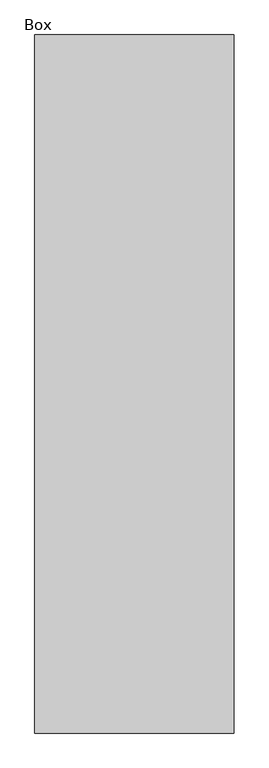
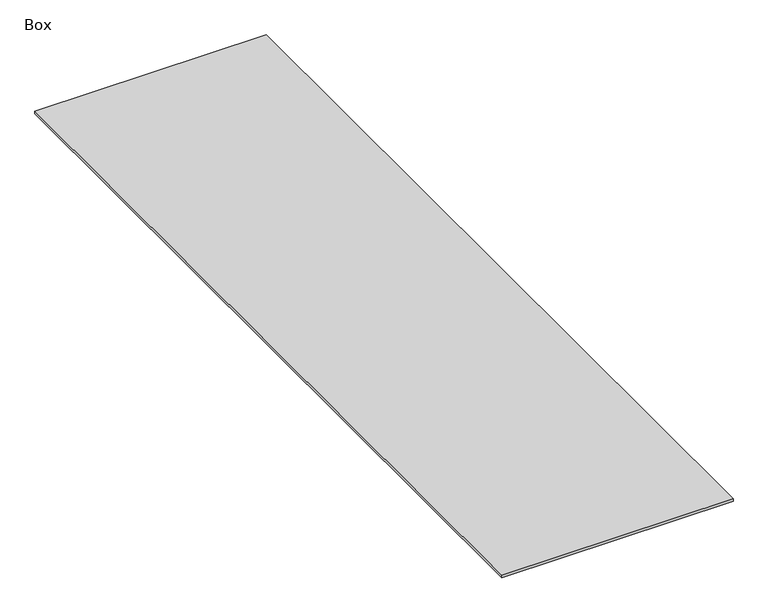
"""IFC4 building model written with IfcOpenShell, lengths in millimetres: furniture geometry, Box."""

from ifc_helpers import new_model, si_unit, origin, origin_with_axes, place, context, project, spatial, polyline, outline, extrude, source, transform, mapped, element, save


def box_acb5103a(model_context):
    return source(origin(), model_context, "Body", "SweptSolid", [
        extrude(outline(polyline([(825.5, 1933.8465234), (825.5, -2333.3534766), (-393.7, -2333.3534766), (-393.7, 1933.8465234), (825.5, 1933.8465234)])), origin_with_axes(), (0.0, 0.0, 1.0), 12.7),
    ])


if __name__ == "__main__":
    model = new_model("IFC4")
    model_context = context("Model", 3, world=origin())
    ifc_project = project(units=[si_unit("LENGTHUNIT", "METRE", prefix="MILLI")], contexts=[model_context])
    site = spatial("IfcSite", under=ifc_project)
    building = spatial("IfcBuilding", under=site)
    placement = place(None, origin())
    box_shape = box_acb5103a(model_context)
    element("IfcFurniture", 1, ObjectType="Box", at=placement, inside=building, context=model_context, shape_type="MappedRepresentation", body=[
        mapped(box_shape, transform((0.0, 0.0, 0.0), x_axis=(1.0, 0.0, 0.0), y_axis=(0.0, 1.0, 0.0), z_axis=(0.0, 0.0, 1.0))),
    ])
    save(model, "model.ifc")
